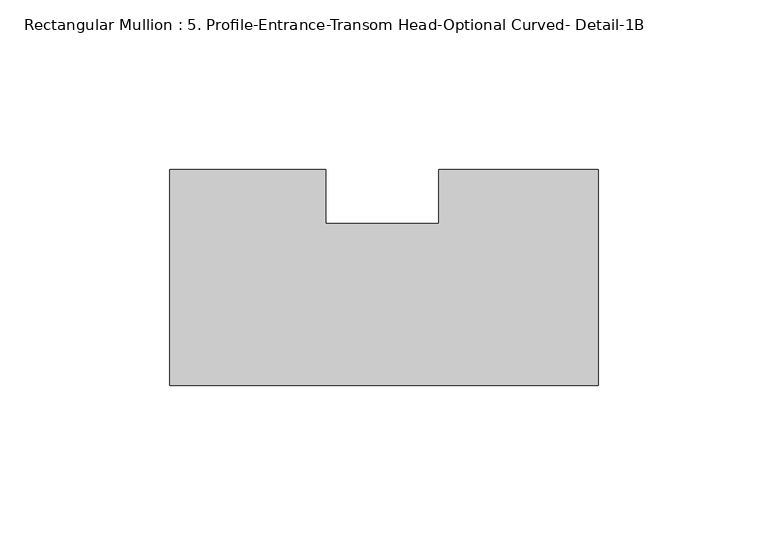
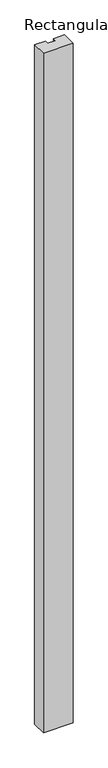
"""IFC4 building model written with IfcOpenShell, lengths in millimetres: member geometry, Rectangular Mullion : 5. Profile-Entrance-Transom Head-Optional Curved- Detail-1B."""

from ifc_helpers import new_model, si_unit, frame, origin, place, context, project, spatial, polyline, outline, extrude, source, transform, mapped, element, save


def rectangular_mullion_5_profile_entrance_transom_head_optional_075de44a(model_context):
    return source(origin(), model_context, "Body", "SweptSolid", [
        extrude(outline(polyline([(-46.8543816, 15.8688361), (-46.8543816, 31.7438361), (0.0, 31.7438361), (0.0, -31.75), (-126.0360272, -31.75), (-126.0360272, 31.75), (-80.2091346, 31.75), (-80.2091346, 15.8688361), (-46.8543816, 15.8688361)])), frame((0.0, 0.0, -3048.0), z_axis=(0.0, 0.0, 1.0), x_axis=(1.0, 0.0, 0.0)), (0.0, 0.0, 1.0), 3048.0),
    ])


if __name__ == "__main__":
    model = new_model("IFC4")
    model_context = context("Model", 3, world=origin())
    ifc_project = project(units=[si_unit("LENGTHUNIT", "METRE", prefix="MILLI")], contexts=[model_context])
    site = spatial("IfcSite", under=ifc_project)
    building = spatial("IfcBuilding", under=site)
    placement = place(None, origin())
    rectangular_mullion_5_profile_entrance_transom_head_optional_shape = rectangular_mullion_5_profile_entrance_transom_head_optional_075de44a(model_context)
    element("IfcMember", 1, ObjectType="Rectangular Mullion : 5. Profile-Entrance-Transom Head-Optional Curved- Detail-1B", at=placement, inside=building, context=model_context, shape_type="MappedRepresentation", body=[
        mapped(rectangular_mullion_5_profile_entrance_transom_head_optional_shape, transform((0.0, 0.0, 0.0), x_axis=(1.0, 0.0, 0.0), y_axis=(0.0, 1.0, 0.0), z_axis=(0.0, 0.0, 1.0))),
    ])
    save(model, "model.ifc")
